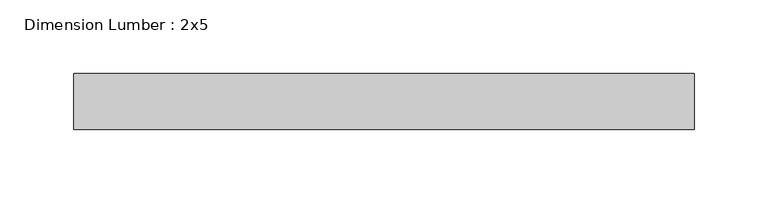
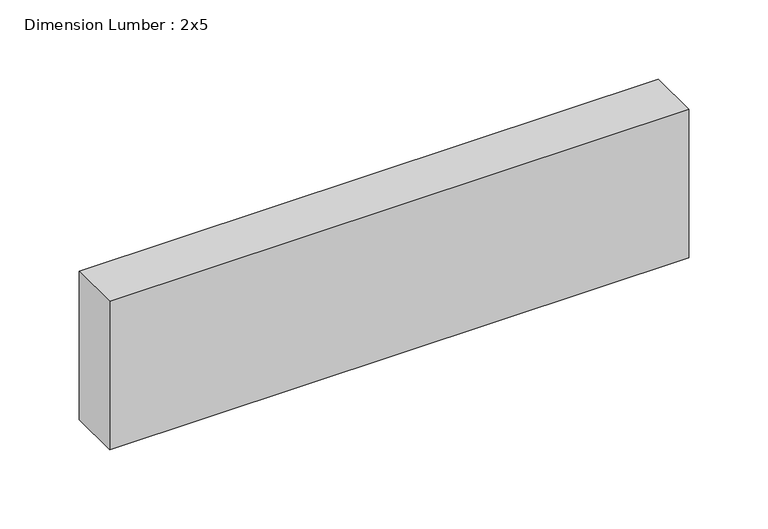
"""IFC4 building model written with IfcOpenShell, lengths in millimetres: beam geometry, Dimension Lumber : 2x5."""

from ifc_helpers import new_model, si_unit, frame, origin, place, context, project, spatial, polyline, outline, extrude, source, transform, mapped, element, save


def dimension_lumber_2x5_636faaca(model_context):
    return source(origin(), model_context, "Body", "SweptSolid", [
        extrude(outline(polyline([(212.9207632, 19.05), (212.9207632, -19.05), (-208.7961528, -19.05), (-208.7961528, 19.05), (212.9207632, 19.05)])), frame((0.0, 0.0, -57.15), z_axis=(0.0, 0.0, 1.0), x_axis=(1.0, 0.0, 0.0)), (0.0, 0.0, 1.0), 114.3),
    ])


if __name__ == "__main__":
    model = new_model("IFC4")
    model_context = context("Model", 3, world=origin())
    ifc_project = project(units=[si_unit("LENGTHUNIT", "METRE", prefix="MILLI")], contexts=[model_context])
    site = spatial("IfcSite", under=ifc_project)
    building = spatial("IfcBuilding", under=site)
    placement = place(None, origin())
    dimension_lumber_2x5_shape = dimension_lumber_2x5_636faaca(model_context)
    element("IfcBeam", 1, ObjectType="Dimension Lumber : 2x5", at=placement, inside=building, context=model_context, shape_type="MappedRepresentation", body=[
        mapped(dimension_lumber_2x5_shape, transform((0.0, 0.0, 0.0), x_axis=(1.0, 0.0, 0.0), y_axis=(0.0, 1.0, 0.0), z_axis=(0.0, 0.0, 1.0))),
    ])
    save(model, "model.ifc")
